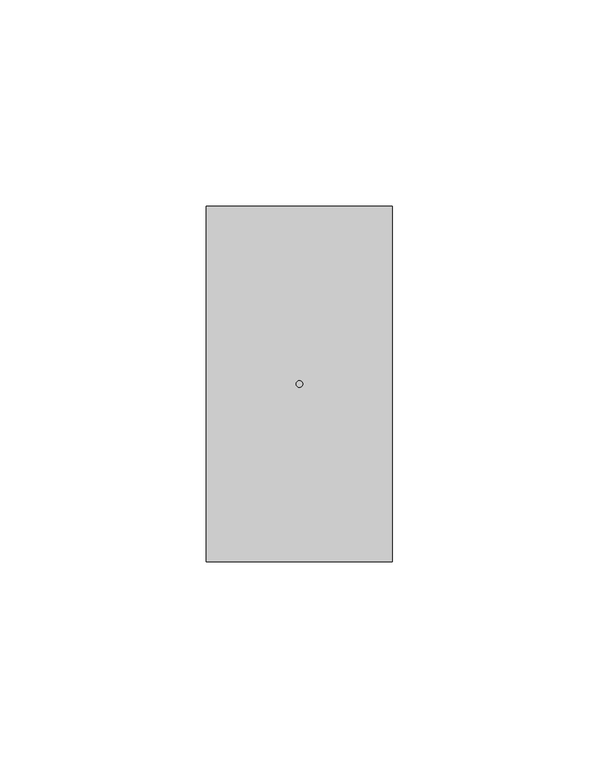
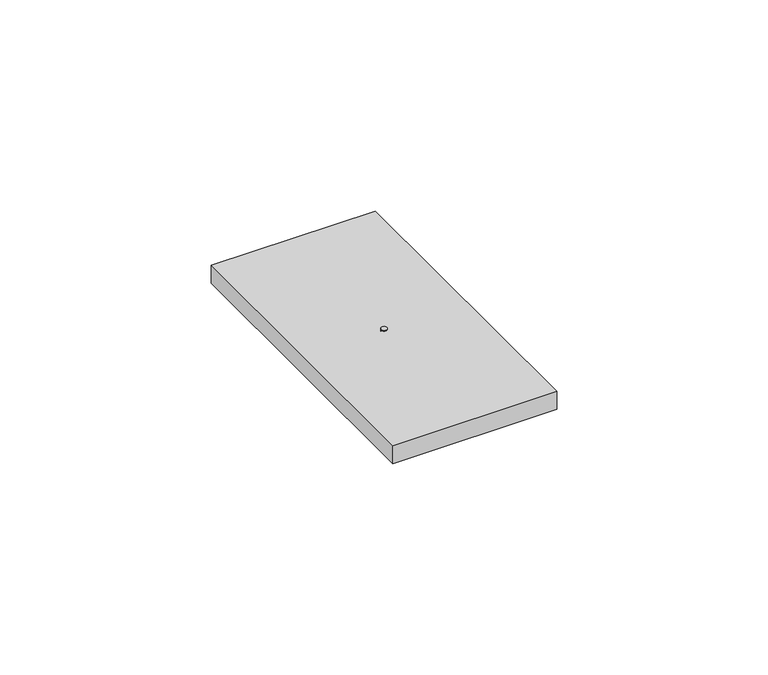
"""IFC4 building model written with IfcOpenShell, lengths in millimetres: proxy geometry."""

from ifc_helpers import new_model, si_unit, point, frame, frame_2d, origin, place, context, project, spatial, polyline, circle_curve, trimmed, segment, composite_curve, outline, extrude, source, transform, mapped, element, save


def electrical_fixtures_5599cc6a(model_context):
    return source(origin(), model_context, "Body", "SweptSolid", [
        extrude(outline(composite_curve([segment(trimmed(circle_curve(frame_2d((22.5, 43.0)), 0.8), [point((21.7, 43.0))], [point((23.3, 43.0))], False, "CARTESIAN"), True, "CONTINUOUS"), segment(trimmed(circle_curve(frame_2d((22.5, 43.0)), 0.8), [point((23.3, 43.0))], [point((21.7, 43.0))], False, "CARTESIAN"), True, "CONTINUOUS")], self_intersect=False)), frame((0.0, 0.0, 5.5), z_axis=(0.0, 0.0, 1.0), x_axis=(1.0, 0.0, 0.0)), (0.0, 0.0, 1.0), 5.2),
        extrude(outline(polyline([(0.0, 0.0), (0.0, 86.0), (45.0, 86.0), (45.0, 0.0), (0.0, 0.0)]), holes=[composite_curve([segment(trimmed(circle_curve(frame_2d((22.5, 43.0)), 0.8), [point((21.7, 43.0))], [point((23.3, 43.0))], True, "CARTESIAN"), True, "CONTINUOUS"), segment(trimmed(circle_curve(frame_2d((22.5, 43.0)), 0.8), [point((23.3, 43.0))], [point((21.7, 43.0))], True, "CARTESIAN"), True, "CONTINUOUS")], self_intersect=False)]), frame((0.0, 0.0, 5.5), z_axis=(0.0, 0.0, 1.0), x_axis=(1.0, 0.0, 0.0)), (0.0, 0.0, 1.0), 5.2),
    ])


if __name__ == "__main__":
    model = new_model("IFC4")
    model_context = context("Model", 3, world=origin())
    ifc_project = project(units=[si_unit("LENGTHUNIT", "METRE", prefix="MILLI")], contexts=[model_context])
    site = spatial("IfcSite", under=ifc_project)
    building = spatial("IfcBuilding", under=site)
    placement = place(None, origin())
    electrical_fixtures_shape = electrical_fixtures_5599cc6a(model_context)
    element("IfcBuildingElementProxy", 1, Name="Electrical Fixtures", at=placement, inside=building, context=model_context, shape_type="MappedRepresentation", body=[
        mapped(electrical_fixtures_shape, transform((0.0, 0.0, 0.0), x_axis=(1.0, 0.0, 0.0), y_axis=(0.0, 1.0, 0.0), z_axis=(0.0, 0.0, 1.0))),
    ])
    save(model, "model.ifc")
